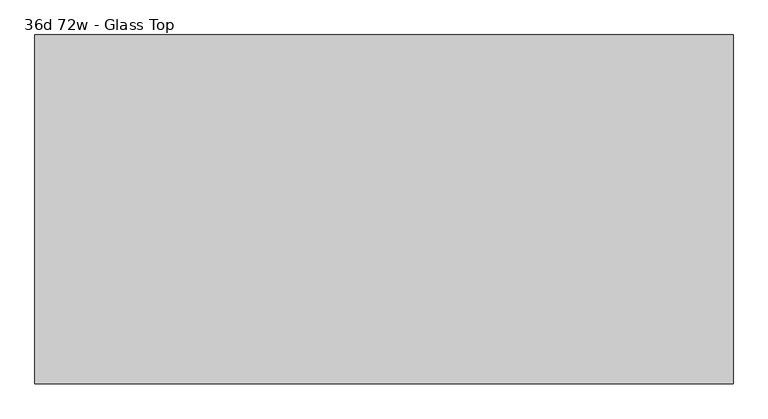
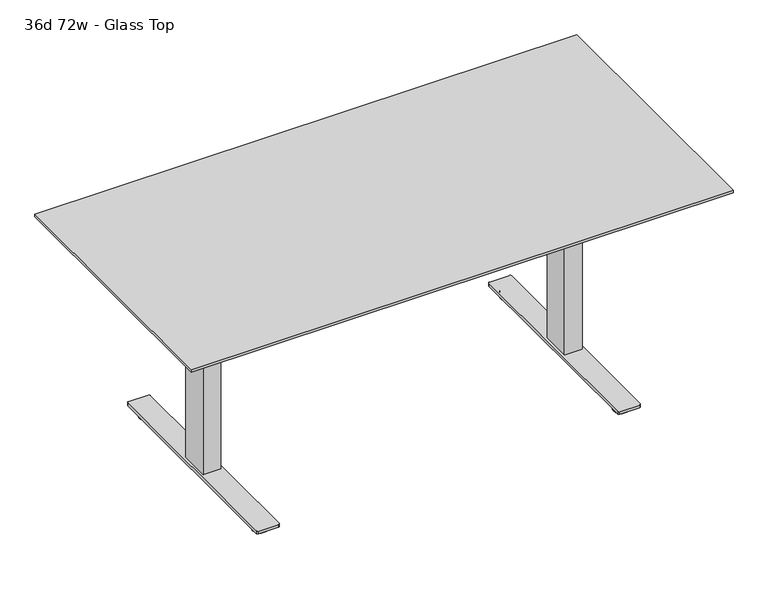
"""IFC4 building model written with IfcOpenShell, lengths in millimetres: furniture geometry, 36d 72w - Glass Top."""

from ifc_helpers import new_model, si_unit, point, frame, frame_2d, origin, origin_with_axes, place, context, project, spatial, polyline, circle_curve, trimmed, segment, composite_curve, outline, extrude, source, transform, mapped, element, save


def furniture_36d_72w_glass_top_3e87783b(model_context):
    return source(origin(), model_context, "Body", "SweptSolid", [
        extrude(outline(polyline([(-730.25, 692.15), (-730.25, 711.2), (-209.55, 711.2), (-209.55, 692.15), (-411.1625, 635.0), (-528.6375, 635.0), (-730.25, 692.15)])), frame((-662.78125, 0.0, 0.0), z_axis=(1.0, 0.0, 0.0), x_axis=(0.0, 1.0, 0.0)), (0.0, 0.0, 1.0), 2.38125),
        extrude(outline(polyline([(-472.28125, -411.1625), (-472.28125, -528.6375), (-660.4, -528.6375), (-660.4, -411.1625), (-472.28125, -411.1625)])), frame((0.0, 0.0, 655.6375), z_axis=(0.0, 0.0, 1.0), x_axis=(1.0, 0.0, 0.0)), (0.0, 0.0, 1.0), 55.5625),
        extrude(outline(polyline([(-596.9, -425.45), (-596.9, -514.35), (-647.7, -514.35), (-647.7, -425.45), (-596.9, -425.45)])), frame((0.0, 0.0, 654.05), z_axis=(0.0, 0.0, 1.0), x_axis=(1.0, 0.0, 0.0)), (0.0, 0.0, 1.0), 1.5875),
        extrude(outline(polyline([(-592.3359375, -419.89375), (-592.3359375, -519.90625), (-652.2640625, -519.90625), (-652.2640625, -419.89375), (-592.3359375, -419.89375)])), frame((0.0, 0.0, 31.75), z_axis=(0.0, 0.0, 1.0), x_axis=(1.0, 0.0, 0.0)), (0.0, 0.0, 1.0), 622.3),
        extrude(outline(composite_curve([segment(trimmed(circle_curve(frame_2d((-622.3, -800.1)), 25.4), [point((-647.7, -800.1))], [point((-596.9, -800.1))], False, "CARTESIAN"), True, "CONTINUOUS"), segment(trimmed(circle_curve(frame_2d((-622.3, -800.1)), 25.4), [point((-596.9, -800.1))], [point((-647.7, -800.1))], False, "CARTESIAN"), True, "CONTINUOUS")], self_intersect=False)), origin_with_axes(), (0.0, 0.0, 1.0), 9.525),
        extrude(outline(composite_curve([segment(trimmed(circle_curve(frame_2d((-622.3, -139.7)), 25.4), [point((-647.7, -139.7))], [point((-596.9, -139.7))], False, "CARTESIAN"), True, "CONTINUOUS"), segment(trimmed(circle_curve(frame_2d((-622.3, -139.7)), 25.4), [point((-596.9, -139.7))], [point((-647.7, -139.7))], False, "CARTESIAN"), True, "CONTINUOUS")], self_intersect=False)), origin_with_axes(), (0.0, 0.0, 1.0), 9.525),
        extrude(outline(composite_curve([segment(polyline([(-647.7, -800.1), (-647.7, -139.7)]), True, "CONTINUOUS"), segment(trimmed(circle_curve(frame_2d((-622.3, -139.7)), 25.4), [point((-647.7, -139.7))], [point((-622.3, -114.3))], False, "CARTESIAN"), True, "CONTINUOUS"), segment(trimmed(circle_curve(frame_2d((-622.3, -139.7)), 25.4), [point((-622.3, -114.3))], [point((-596.9, -139.7))], False, "CARTESIAN"), True, "CONTINUOUS"), segment(polyline([(-596.9, -139.7), (-596.9, -800.1)]), True, "CONTINUOUS"), segment(trimmed(circle_curve(frame_2d((-622.3, -800.1)), 25.4), [point((-596.9, -800.1))], [point((-622.3, -825.5))], False, "CARTESIAN"), True, "CONTINUOUS"), segment(trimmed(circle_curve(frame_2d((-622.3, -800.1)), 25.4), [point((-622.3, -825.5))], [point((-647.7, -800.1))], False, "CARTESIAN"), True, "CONTINUOUS")], self_intersect=False)), frame((0.0, 0.0, 9.525), z_axis=(0.0, 0.0, 1.0), x_axis=(1.0, 0.0, 0.0)), (0.0, 0.0, 1.0), 12.7),
        extrude(outline(composite_curve([segment(trimmed(circle_curve(frame_2d((-588.9625, -93.6625)), 4.7625), [point((-588.9625, -88.9))], [point((-584.2, -93.6625))], False, "CARTESIAN"), True, "CONTINUOUS"), segment(polyline([(-584.2, -93.6625), (-584.2, -846.1375)]), True, "CONTINUOUS"), segment(trimmed(circle_curve(frame_2d((-588.9625, -846.1375)), 4.7625), [point((-584.2, -846.1375))], [point((-588.9625, -850.9))], False, "CARTESIAN"), True, "CONTINUOUS"), segment(polyline([(-588.9625, -850.9), (-655.6375, -850.9)]), True, "CONTINUOUS"), segment(trimmed(circle_curve(frame_2d((-655.6375, -846.1375)), 4.7625), [point((-655.6375, -850.9))], [point((-660.4, -846.1375))], False, "CARTESIAN"), True, "CONTINUOUS"), segment(polyline([(-660.4, -846.1375), (-660.4, -93.6625)]), True, "CONTINUOUS"), segment(trimmed(circle_curve(frame_2d((-655.6375, -93.6625)), 4.7625), [point((-660.4, -93.6625))], [point((-655.6375, -88.9))], False, "CARTESIAN"), True, "CONTINUOUS"), segment(polyline([(-655.6375, -88.9), (-588.9625, -88.9)]), True, "CONTINUOUS")], self_intersect=False)), frame((0.0, 0.0, 22.225), z_axis=(0.0, 0.0, 1.0), x_axis=(1.0, 0.0, 0.0)), (0.0, 0.0, 1.0), 9.525),
        extrude(outline(polyline([(-209.55, 692.15), (-411.1625, 635.0), (-528.6375, 635.0), (-730.25, 692.15), (-730.25, 711.2), (-209.55, 711.2), (-209.55, 692.15)])), frame((635.0, 0.0, 0.0), z_axis=(1.0, 0.0, 0.0), x_axis=(0.0, 1.0, 0.0)), (0.0, 0.0, 1.0), 2.38125),
        extrude(outline(polyline([(446.88125, -528.6375), (446.88125, -411.1625), (635.0, -411.1625), (635.0, -528.6375), (446.88125, -528.6375)])), frame((0.0, 0.0, 655.6375), z_axis=(0.0, 0.0, 1.0), x_axis=(1.0, 0.0, 0.0)), (0.0, 0.0, 1.0), 55.5625),
        extrude(outline(polyline([(571.5, -514.35), (571.5, -425.45), (622.3, -425.45), (622.3, -514.35), (571.5, -514.35)])), frame((0.0, 0.0, 654.05), z_axis=(0.0, 0.0, 1.0), x_axis=(1.0, 0.0, 0.0)), (0.0, 0.0, 1.0), 1.5875),
        extrude(outline(polyline([(566.9359375, -519.90625), (566.9359375, -419.89375), (626.8640625, -419.89375), (626.8640625, -519.90625), (566.9359375, -519.90625)])), frame((0.0, 0.0, 31.75), z_axis=(0.0, 0.0, 1.0), x_axis=(1.0, 0.0, 0.0)), (0.0, 0.0, 1.0), 622.3),
        extrude(outline(composite_curve([segment(trimmed(circle_curve(frame_2d((596.9, -139.7)), 25.4), [point((622.3, -139.7))], [point((571.5, -139.7))], False, "CARTESIAN"), True, "CONTINUOUS"), segment(trimmed(circle_curve(frame_2d((596.9, -139.7)), 25.4), [point((571.5, -139.7))], [point((622.3, -139.7))], False, "CARTESIAN"), True, "CONTINUOUS")], self_intersect=False)), origin_with_axes(), (0.0, 0.0, 1.0), 9.525),
        extrude(outline(composite_curve([segment(trimmed(circle_curve(frame_2d((596.9, -800.1)), 25.4), [point((622.3, -800.1))], [point((571.5, -800.1))], False, "CARTESIAN"), True, "CONTINUOUS"), segment(trimmed(circle_curve(frame_2d((596.9, -800.1)), 25.4), [point((571.5, -800.1))], [point((622.3, -800.1))], False, "CARTESIAN"), True, "CONTINUOUS")], self_intersect=False)), origin_with_axes(), (0.0, 0.0, 1.0), 9.525),
        extrude(outline(composite_curve([segment(polyline([(622.3, -139.7), (622.3, -800.1)]), True, "CONTINUOUS"), segment(trimmed(circle_curve(frame_2d((596.9, -800.1)), 25.4), [point((622.3, -800.1))], [point((596.9, -825.5))], False, "CARTESIAN"), True, "CONTINUOUS"), segment(trimmed(circle_curve(frame_2d((596.9, -800.1)), 25.4), [point((596.9, -825.5))], [point((571.5, -800.1))], False, "CARTESIAN"), True, "CONTINUOUS"), segment(polyline([(571.5, -800.1), (571.5, -139.7)]), True, "CONTINUOUS"), segment(trimmed(circle_curve(frame_2d((596.9, -139.7)), 25.4), [point((571.5, -139.7))], [point((596.9, -114.3))], False, "CARTESIAN"), True, "CONTINUOUS"), segment(trimmed(circle_curve(frame_2d((596.9, -139.7)), 25.4), [point((596.9, -114.3))], [point((622.3, -139.7))], False, "CARTESIAN"), True, "CONTINUOUS")], self_intersect=False)), frame((0.0, 0.0, 9.525), z_axis=(0.0, 0.0, 1.0), x_axis=(1.0, 0.0, 0.0)), (0.0, 0.0, 1.0), 12.7),
        extrude(outline(composite_curve([segment(trimmed(circle_curve(frame_2d((563.5625, -846.1375)), 4.7625), [point((563.5625, -850.9))], [point((558.8, -846.1375))], False, "CARTESIAN"), True, "CONTINUOUS"), segment(polyline([(558.8, -846.1375), (558.8, -93.6625)]), True, "CONTINUOUS"), segment(trimmed(circle_curve(frame_2d((563.5625, -93.6625)), 4.7625), [point((558.8, -93.6625))], [point((563.5625, -88.9))], False, "CARTESIAN"), True, "CONTINUOUS"), segment(polyline([(563.5625, -88.9), (630.2375, -88.9)]), True, "CONTINUOUS"), segment(trimmed(circle_curve(frame_2d((630.2375, -93.6625)), 4.7625), [point((630.2375, -88.9))], [point((635.0, -93.6625))], False, "CARTESIAN"), True, "CONTINUOUS"), segment(polyline([(635.0, -93.6625), (635.0, -846.1375)]), True, "CONTINUOUS"), segment(trimmed(circle_curve(frame_2d((630.2375, -846.1375)), 4.7625), [point((635.0, -846.1375))], [point((630.2375, -850.9))], False, "CARTESIAN"), True, "CONTINUOUS"), segment(polyline([(630.2375, -850.9), (563.5625, -850.9)]), True, "CONTINUOUS")], self_intersect=False)), frame((0.0, 0.0, 22.225), z_axis=(0.0, 0.0, 1.0), x_axis=(1.0, 0.0, 0.0)), (0.0, 0.0, 1.0), 9.525),
        extrude(outline(polyline([(850.9, -63.5), (850.9, -876.3), (-876.3, -876.3), (-876.3, -63.5), (850.9, -63.5)])), frame((0.0, 0.0, 711.2), z_axis=(0.0, 0.0, 1.0), x_axis=(1.0, 0.0, 0.0)), (0.0, 0.0, 1.0), 28.575),
        extrude(outline(polyline([(-749.3, 673.1), (-749.3, 711.2), (-190.5, 711.2), (-190.5, 673.1), (-393.7, 635.0), (-546.1, 635.0), (-749.3, 673.1)])), frame((-673.1, 0.0, 0.0), z_axis=(1.0, 0.0, 0.0), x_axis=(0.0, 1.0, 0.0)), (0.0, 0.0, 1.0), 1320.8),
        extrude(outline(polyline([(901.7, -12.7), (901.7, -927.1), (-927.1, -927.1), (-927.1, -12.7), (901.7, -12.7)])), frame((0.0, 0.0, 739.775), z_axis=(0.0, 0.0, 1.0), x_axis=(1.0, 0.0, 0.0)), (0.0, 0.0, 1.0), 9.525),
    ])


if __name__ == "__main__":
    model = new_model("IFC4")
    model_context = context("Model", 3, world=origin())
    ifc_project = project(units=[si_unit("LENGTHUNIT", "METRE", prefix="MILLI")], contexts=[model_context])
    site = spatial("IfcSite", under=ifc_project)
    building = spatial("IfcBuilding", under=site)
    placement = place(None, origin())
    furniture_36d_72w_glass_top_shape = furniture_36d_72w_glass_top_3e87783b(model_context)
    element("IfcFurniture", 1, ObjectType="36d 72w - Glass Top", at=placement, inside=building, context=model_context, shape_type="MappedRepresentation", body=[
        mapped(furniture_36d_72w_glass_top_shape, transform((0.0, 0.0, 0.0), x_axis=(1.0, 0.0, 0.0), y_axis=(0.0, 1.0, 0.0), z_axis=(0.0, 0.0, 1.0))),
    ])
    save(model, "model.ifc")
